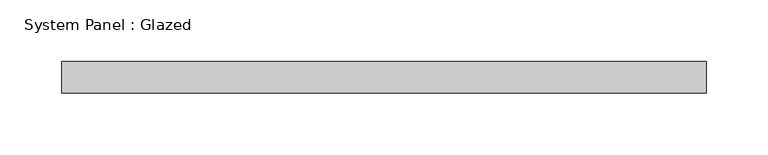
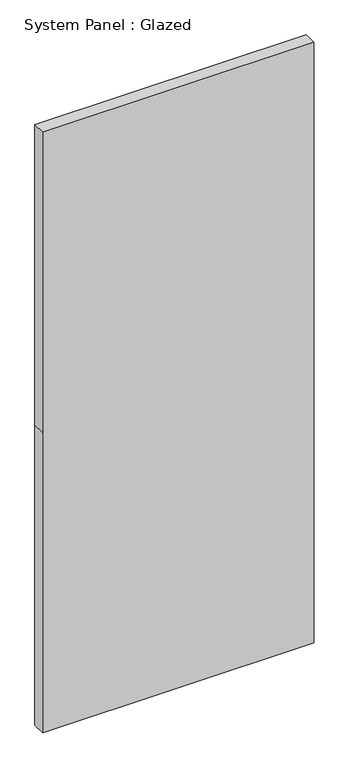
"""IFC4 building model written with IfcOpenShell, lengths in millimetres: plate geometry, System Panel : Glazed."""

from ifc_helpers import new_model, si_unit, frame, origin, place, context, project, spatial, polyline, outline, extrude, source, transform, mapped, element, save


def system_panel_glazed_a892d3fd(model_context):
    return source(origin(), model_context, "Body", "SweptSolid", [
        extrude(outline(polyline([(0.0, -260.35), (0.0, 260.35), (609.6, 260.35), (1219.2, 260.35), (1219.2, -260.35), (609.6, -260.35), (0.0, -260.35)])), frame((0.0, 19.05, 0.0), z_axis=(0.0, 1.0, 0.0), x_axis=(0.0, 0.0, 1.0)), (0.0, 0.0, 1.0), 25.4),
    ])


if __name__ == "__main__":
    model = new_model("IFC4")
    model_context = context("Model", 3, world=origin())
    ifc_project = project(units=[si_unit("LENGTHUNIT", "METRE", prefix="MILLI")], contexts=[model_context])
    site = spatial("IfcSite", under=ifc_project)
    building = spatial("IfcBuilding", under=site)
    placement = place(None, origin())
    system_panel_glazed_shape = system_panel_glazed_a892d3fd(model_context)
    element("IfcPlate", 1, ObjectType="System Panel : Glazed", at=placement, inside=building, context=model_context, shape_type="MappedRepresentation", body=[
        mapped(system_panel_glazed_shape, transform((0.0, 0.0, 0.0), x_axis=(1.0, 0.0, 0.0), y_axis=(0.0, 1.0, 0.0), z_axis=(0.0, 0.0, 1.0))),
    ])
    save(model, "model.ifc")
